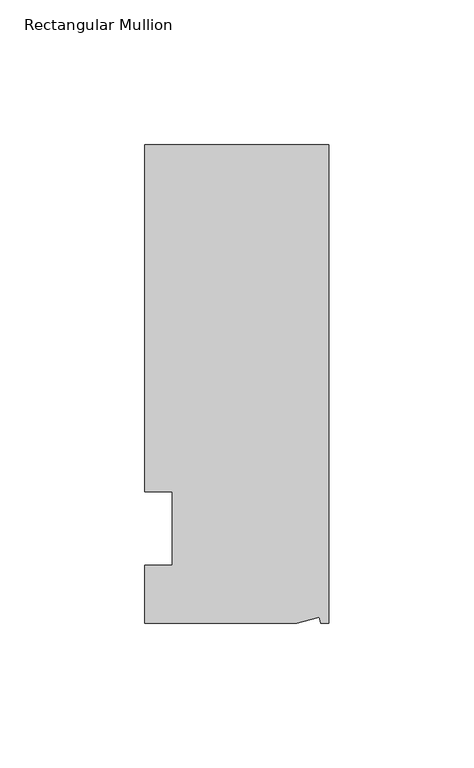
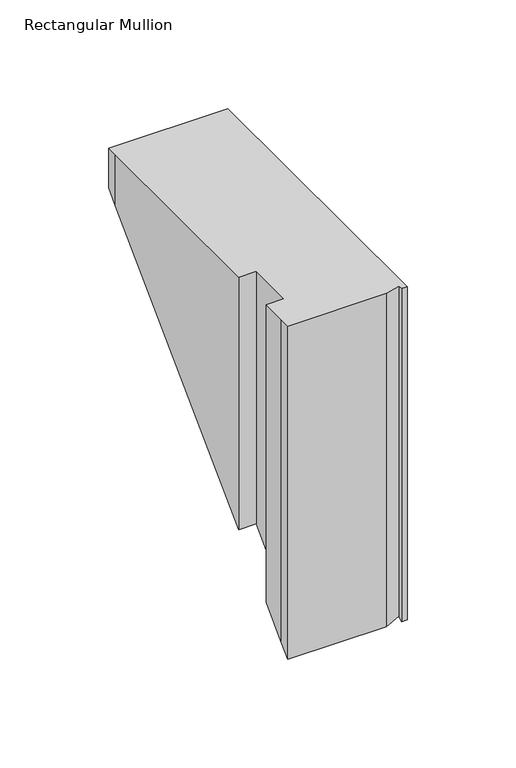
"""IFC4 building model written with IfcOpenShell, lengths in millimetres: member geometry, Rectangular Mullion."""

import ifcopenshell
import ifcopenshell.guid

model = None  # the IFC model being written
_history = None  # IfcOwnerHistory: only IFC2X3 demands one
_inside = {}  # id of a spatial element -> (the spatial element, [elements in it])
_under = {}  # id of a project, library or spatial element -> (it, [spatial elements below it])
_declared = {}  # id of a project -> (the project, [libraries it declares])
_typed = {}  # id of a type object -> (the type object, [elements of that type])
_made_of = {}  # id of a material, layer set ... -> (it, [elements and type objects made of it])


def new_model(schema):
    """Start an empty IFC model of exactly this schema.

    Asked for "IFC4X3", IfcOpenShell would pick the latest addendum, in which some entities
    have other attributes; the version numbers below select the first issue.
    IFC2X3 requires an IfcOwnerHistory on every rooted entity: one is made here for all.
    """
    global model, _history
    if schema == "IFC4X3":
        model = ifcopenshell.file(schema_version=(4, 3, 0, 0))
    else:
        model = ifcopenshell.file(schema=schema)
    _inside.clear()
    _under.clear()
    _declared.clear()
    _typed.clear()
    _made_of.clear()
    _history = None
    if model.schema == "IFC2X3":
        org = make("IfcOrganization", Name="unknown")
        user = make(
            "IfcPersonAndOrganization",
            ThePerson=make("IfcPerson", FamilyName="unknown"),
            TheOrganization=org,
        )
        app = make(
            "IfcApplication",
            ApplicationDeveloper=org,
            Version="unknown",
            ApplicationFullName="unknown",
            ApplicationIdentifier="unknown",
        )
        _history = make(
            "IfcOwnerHistory",
            OwningUser=user,
            OwningApplication=app,
            ChangeAction="ADDED",
            CreationDate=0,
        )
    return model


def make(cls, **values):
    """One entity of the class cls with the attributes given. An attribute that is None is left unset."""
    return model.create_entity(
        cls, **{name: value for name, value in values.items() if value is not None}
    )


def rooted(cls, **values):
    """An entity with a GlobalId (a new one), such as an element, a storey or a relation."""
    return make(cls, GlobalId=ifcopenshell.guid.new(), OwnerHistory=_history, **values)


def si_unit(unit_type, name, prefix=None):
    """IfcSIUnit, for example si_unit("LENGTHUNIT", "METRE", prefix="MILLI")."""
    return make("IfcSIUnit", UnitType=unit_type, Prefix=prefix, Name=name)


def assignment(units):
    """IfcUnitAssignment: the units of a project."""
    return None if units is None else make("IfcUnitAssignment", Units=units)


def point(xyz):
    """IfcCartesianPoint."""
    return None if xyz is None else make("IfcCartesianPoint", Coordinates=xyz)


def direction(xyz):
    """IfcDirection."""
    return None if xyz is None else make("IfcDirection", DirectionRatios=xyz)


def frame(location, z_axis=None, x_axis=None):
    """IfcAxis2Placement3D, a coordinate frame: its origin and axes. An axis left out is left unset."""
    return make(
        "IfcAxis2Placement3D",
        Location=point(location),
        Axis=direction(z_axis),
        RefDirection=direction(x_axis),
    )


def origin():
    """The frame at (0, 0, 0) with its axes left unset."""
    return frame((0.0, 0.0, 0.0))


def place(relative_to, where):
    """IfcLocalPlacement: puts the frame where relative to a parent placement (None: the world)."""
    return make(
        "IfcLocalPlacement", PlacementRelTo=relative_to, RelativePlacement=where
    )


def context(
    kind, dimensions, precision=None, world=None, true_north=None, identifier=None
):
    """IfcGeometricRepresentationContext, for example the 3D "Model" context."""
    return make(
        "IfcGeometricRepresentationContext",
        ContextIdentifier=identifier,
        ContextType=kind,
        CoordinateSpaceDimension=dimensions,
        Precision=precision,
        WorldCoordinateSystem=world,
        TrueNorth=true_north,
    )


def project(units=None, contexts=None):
    """IfcProject with its units and contexts."""
    return rooted(
        "IfcProject",
        Name="project",
        RepresentationContexts=contexts,
        UnitsInContext=assignment(units),
    )


def spatial(cls, under=None, at=None, **own):
    """A site, building, storey or space (cls), placed at a placement, below another one or the project."""
    s = rooted(cls, ObjectPlacement=at, **own)
    if under is not None:
        _under.setdefault(under.id(), (under, []))[1].append(s)
    return s


def faces_of(points, faces, orient=None, outer=None):
    """IfcFace entities. A face is a list of loops; a loop is a list of indices into points, from 0.

    orient and outer hold one flag for each loop. By default every Orientation is true, the
    first loop of a face is its IfcFaceOuterBound and the others are IfcFaceBound.
    """
    made = []
    for i, loops in enumerate(faces):
        bounds = []
        for j, loop in enumerate(loops):
            is_outer = j == 0 if outer is None else outer[i][j]
            bounds.append(
                make(
                    "IfcFaceOuterBound" if is_outer else "IfcFaceBound",
                    Bound=make("IfcPolyLoop", Polygon=[points[k] for k in loop]),
                    Orientation=True if orient is None else orient[i][j],
                )
            )
        made.append(make("IfcFace", Bounds=bounds))
    return made


def faceted_brep(points, faces, orient=None, outer=None, voids=None):
    """IfcFacetedBrep: a solid bounded by flat faces; with voids (closed shells), ...WithVoids."""
    shared = [point(p) for p in points]
    hull = make("IfcClosedShell", CfsFaces=faces_of(shared, faces, orient, outer))
    if voids is None:
        return make("IfcFacetedBrep", Outer=hull)
    return make(
        "IfcFacetedBrepWithVoids",
        Outer=hull,
        Voids=[
            make(cls, CfsFaces=faces_of(shared, fs, o, b)) for cls, fs, o, b in voids
        ],
    )


def shape(context_of_items, identifier, shape_type, items):
    """IfcShapeRepresentation: the items that make up one representation, for example the "Body"."""
    return make(
        "IfcShapeRepresentation",
        ContextOfItems=context_of_items,
        RepresentationIdentifier=identifier,
        RepresentationType=shape_type,
        Items=items,
    )


def source(mapping_origin, context_of_items, identifier, shape_type, items):
    """IfcRepresentationMap: a shape defined once, which mapped items show again and again."""
    return make(
        "IfcRepresentationMap",
        MappingOrigin=mapping_origin,
        MappedRepresentation=shape(context_of_items, identifier, shape_type, items),
    )


def transform(
    local_origin,
    x_axis=None,
    y_axis=None,
    z_axis=None,
    scale=None,
    scale2=None,
    scale3=None,
    uniform=True,
):
    """IfcCartesianTransformationOperator3D, or its non-uniform kind. x_axis, y_axis, z_axis: its Axis1, 2, 3."""
    if uniform:
        return make(
            "IfcCartesianTransformationOperator3D",
            Axis1=direction(x_axis),
            Axis2=direction(y_axis),
            LocalOrigin=point(local_origin),
            Scale=scale,
            Axis3=direction(z_axis),
        )
    return make(
        "IfcCartesianTransformationOperator3DnonUniform",
        Axis1=direction(x_axis),
        Axis2=direction(y_axis),
        LocalOrigin=point(local_origin),
        Scale=scale,
        Axis3=direction(z_axis),
        Scale2=scale2,
        Scale3=scale3,
    )


def mapped(mapping_source, mapping_target):
    """IfcMappedItem: shows the shape of a source again, moved by a transform."""
    return make(
        "IfcMappedItem", MappingSource=mapping_source, MappingTarget=mapping_target
    )


def made_of(thing, what):
    """Note that an element or type object is made of a material, layer set ...; save() writes the relation."""
    if what is not None:
        _made_of.setdefault(what.id(), (what, []))[1].append(thing)
    return thing


def element(
    cls,
    number,
    at=None,
    inside=None,
    cuts=None,
    type_object=None,
    material=None,
    context=None,
    identifier="Body",
    shape_type=None,
    held_by="IfcProductDefinitionShape",
    body=None,
    shapes=None,
    **own,
):
    """One element of the class cls, such as IfcWall. Its Tag is "e" and its number.

    at: its placement. inside: the storey or other place that contains it. cuts: it is an
    opening in that element (IfcRelVoidsElement). A single representation is given by context,
    identifier, shape_type and body (its items); several are given by shapes. held_by: the class
    of the entity that holds the representations. save() writes the other relations.
    """
    e = rooted(cls, Tag="e%d" % number, ObjectPlacement=at, **own)
    if body is not None:
        shapes = [shape(context, identifier, shape_type, body)]
    if shapes is not None:
        e.Representation = make(held_by, Representations=shapes)
    if inside is not None:
        _inside.setdefault(inside.id(), (inside, []))[1].append(e)
    if cuts is not None:
        rooted(
            "IfcRelVoidsElement", RelatingBuildingElement=cuts, RelatedOpeningElement=e
        )
    if type_object is not None:
        _typed.setdefault(type_object.id(), (type_object, []))[1].append(e)
    return made_of(e, material)


def aggregate(whole, parts):
    """IfcRelAggregates: a whole, such as a stair, and the parts it consists of."""
    return rooted("IfcRelAggregates", RelatingObject=whole, RelatedObjects=parts)


def save(model, path):
    """Write the relations noted so far, then the file.

    IfcRelAggregates (storeys below a building ...), IfcRelContainedInSpatialStructure (elements
    in a storey), IfcRelDefinesByType, IfcRelAssociatesMaterial and IfcRelDeclares: one each for
    every whole, place, type object, material and project.
    """
    for whole, parts in _under.values():
        aggregate(whole, parts)
    for where, things in _inside.values():
        rooted(
            "IfcRelContainedInSpatialStructure",
            RelatedElements=things,
            RelatingStructure=where,
        )
    for kind, things in _typed.values():
        rooted("IfcRelDefinesByType", RelatedObjects=things, RelatingType=kind)
    for what, things in _made_of.values():
        rooted("IfcRelAssociatesMaterial", RelatedObjects=things, RelatingMaterial=what)
    for by, libraries in _declared.values():
        rooted("IfcRelDeclares", RelatingContext=by, RelatedDefinitions=libraries)
    model.write(path)


def rectangular_mullion_0331361e(model_context):
    return source(origin(), model_context, "Body", "Brep", [
        faceted_brep([(0.0, 132.5561012, 0.0), (-63.5, 132.5561012, 0.0), (-63.5, 126.2061012, 0.0), (-63.5, 12.8054199, 0.0), (-53.975, 12.8054199, 0.0), (-53.975, -12.5945801, 0.0), (-63.5, -12.5945801, 0.0), (-63.5, -26.1938988, 0.0), (-63.5, -32.5438988, 0.0), (-11.121847, -32.5438988, 0.0), (-3.3341886, -30.4622958, 0.0), (-2.7616541, -32.5438988, 0.0), (0.0, -32.5438988, 0.0), (0.0, 132.5561012, -22.3774858), (-63.5, 132.5561012, -22.3774858), (-63.5, 126.2061012, -28.7274858), (-63.5, 12.8054199, -142.1281671), (-53.975, 12.8054199, -142.1281671), (-53.975, -12.5945801, -167.5281671), (-63.5, -12.5945801, -167.5281671), (-63.5, -26.1938988, -181.1274858), (-63.5, -32.5438988, -187.4774858), (-11.121847, -32.5438988, -187.4774858), (-3.3341886, -30.4622958, -185.3958828), (-2.7616541, -32.5438988, -187.4774858), (0.0, -32.5438988, -187.4774858)], [[[0, 1, 2, 3, 4, 5, 6, 7, 8, 9, 10, 11, 12]], [[1, 0, 13, 14]], [[3, 2, 15, 16]], [[4, 3, 16, 17]], [[5, 4, 17, 18]], [[6, 5, 18, 19]], [[7, 6, 19, 20]], [[9, 8, 21, 22]], [[10, 9, 22, 23]], [[11, 10, 23, 24]], [[12, 11, 24, 25]], [[0, 12, 25, 13]], [[13, 25, 24, 23, 22, 21, 20, 19, 18, 17, 16, 15, 14]], [[2, 1, 14, 15]], [[8, 7, 20, 21]]]),
    ])


if __name__ == "__main__":
    model = new_model("IFC4")
    model_context = context("Model", 3, world=origin())
    ifc_project = project(units=[si_unit("LENGTHUNIT", "METRE", prefix="MILLI")], contexts=[model_context])
    site = spatial("IfcSite", under=ifc_project)
    building = spatial("IfcBuilding", under=site)
    placement = place(None, origin())
    rectangular_mullion_shape = rectangular_mullion_0331361e(model_context)
    element("IfcMember", 1, ObjectType="Rectangular Mullion", at=placement, inside=building, context=model_context, shape_type="MappedRepresentation", body=[
        mapped(rectangular_mullion_shape, transform((0.0, 0.0, 0.0), x_axis=(1.0, 0.0, 0.0), y_axis=(0.0, 1.0, 0.0), z_axis=(0.0, 0.0, 1.0))),
    ])
    save(model, "model.ifc")
